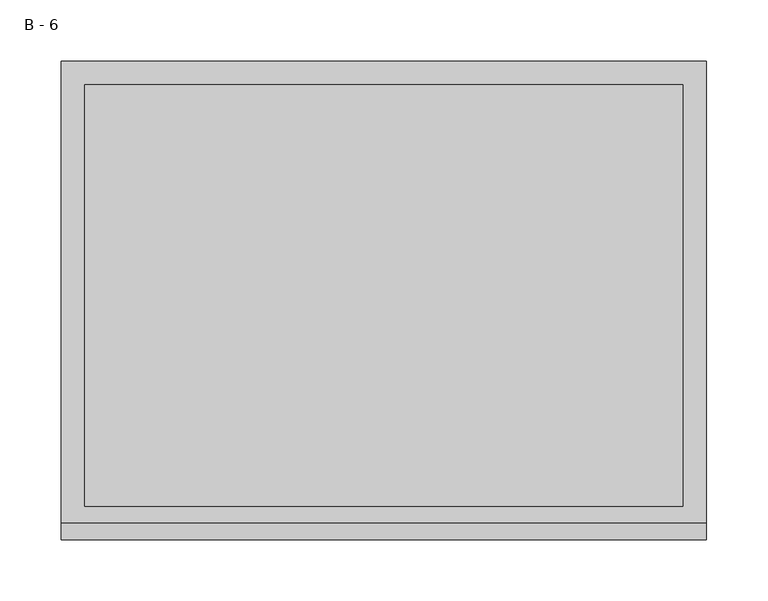
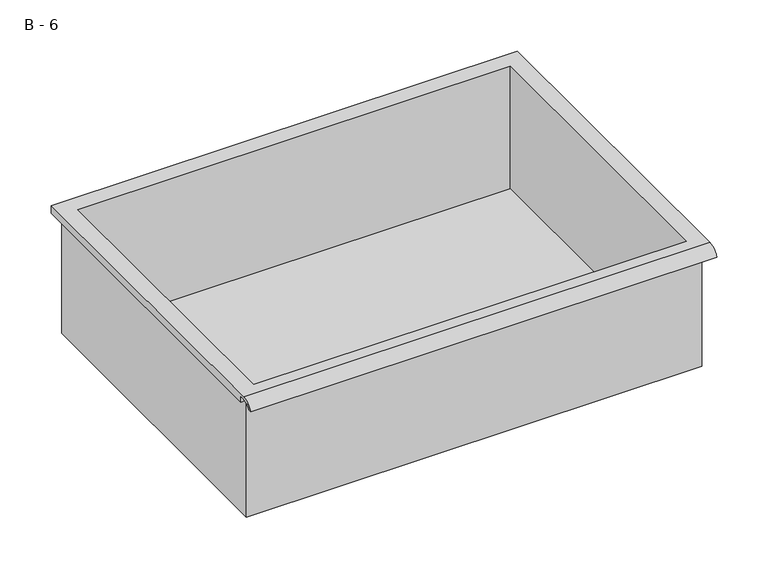
"""IFC4 building model written with IfcOpenShell, lengths in millimetres: furniture geometry, B - 6."""

from ifc_helpers import new_model, si_unit, frame, origin, place, context, project, spatial, polyline, circle_curve, source, transform, mapped, element, save
from ifc_brep_helpers import plane_surface, cylinder_surface, revolved_surface, advanced_brep


def b_6_d10522a3(model_context):
    return source(origin(), model_context, "Body", "AdvancedBrep", [
        advanced_brep(
        [(-257.1076517, -176.2125, 465.328), (257.2423483, -176.2125, 465.328), (257.2423483, -176.2125, 605.028), (263.5923483, -176.2125, 605.028), (263.5923483, -176.2125, 611.3351341), (-263.4576517, -176.2125, 611.3351341), (-263.4576517, -176.2125, 605.028), (-257.1076517, -176.2125, 605.028), (257.2423483, 185.7375, 465.328), (-257.1076517, 185.7375, 465.328), (-257.1076517, 185.7375, 605.028), (257.2423483, 185.7375, 605.028), (263.5923483, -181.6070544, 614.553), (263.5923483, 195.2625, 614.553), (-263.4576517, 195.2625, 614.553), (-263.4576517, -181.6070544, 614.553), (244.5423483, -168.275, 614.553), (-244.4076517, -168.275, 614.553), (-244.4076517, 176.2125, 614.553), (244.5423483, 176.2125, 614.553), (263.5923483, -195.2625, 605.028), (263.5923483, -191.8280601, 605.028), (263.5923483, -180.4714815, 611.3351341), (263.5923483, 195.2625, 605.028), (-263.4576517, 195.2625, 605.028), (-263.4576517, -180.4714815, 611.3351341), (-263.4576517, -191.8280601, 605.028), (-263.4576517, -195.2625, 605.028), (-244.4076517, -168.275, 468.3541719), (244.5423483, -168.275, 468.3541719), (244.5423483, 176.2125, 468.3541719), (-244.4076517, 176.2125, 468.3541719)],
        [
            (0, 1),
            (1, 2),
            (2, 3),
            (3, 4),
            (4, 5),
            (5, 6),
            (6, 7),
            (7, 0),
            (8, 9),
            (9, 10),
            (10, 11),
            (11, 8),
            (0, 9),
            (8, 1),
            (11, 2),
            (12, 13),
            (13, 14),
            (14, 15),
            (15, 12),
            (16, 17),
            (17, 18),
            (18, 19),
            (19, 16),
            (7, 10),
            (12, 20, circle_curve(frame((263.5923483, -181.6070544, 600.0019859), z_axis=(1.0, 0.0, 0.0), x_axis=(0.0, 1.0, 0.0)), 14.5510141)),
            (20, 21),
            (21, 22, circle_curve(frame((263.5923483, -181.6070544, 600.0019859), z_axis=(-1.0, 0.0, 0.0), x_axis=(0.0, 1.0, 0.0)), 11.3898979)),
            (22, 4),
            (3, 23),
            (23, 13),
            (14, 24),
            (24, 6),
            (5, 25),
            (25, 26, circle_curve(frame((-263.4576517, -181.6070544, 600.0019859), z_axis=(1.0, 0.0, 0.0), x_axis=(0.0, 1.0, 0.0)), 11.3898979)),
            (26, 27),
            (27, 15, circle_curve(frame((-263.4576517, -181.6070544, 600.0019859), z_axis=(-1.0, 0.0, 0.0), x_axis=(0.0, 1.0, 0.0)), 14.5510141)),
            (27, 20),
            (26, 21),
            (25, 22),
            (24, 23),
            (28, 29),
            (29, 30),
            (30, 31),
            (31, 28),
            (28, 17),
            (16, 29),
            (19, 30),
            (18, 31),
        ],
        [
            plane_surface(frame((257.2423483, -176.2125, 465.328), z_axis=(0.0, -1.0, 0.0), x_axis=(1.0, 0.0, 0.0))),
            plane_surface(frame((257.2423483, 185.7375, 465.328), z_axis=(0.0, 1.0, 0.0), x_axis=(-1.0, 0.0, 0.0))),
            plane_surface(frame((-257.1076517, -176.2125, 465.328), z_axis=(0.0, 0.0, -1.0), x_axis=(0.0, 1.0, 0.0))),
            plane_surface(frame((257.2423483, -176.2125, 465.328), z_axis=(1.0, 0.0, 0.0), x_axis=(0.0, 1.0, 0.0))),
            plane_surface(frame((257.2423483, -176.2125, 614.553), z_axis=(0.0, 0.0, 1.0), x_axis=(0.0, 1.0, 0.0))),
            plane_surface(frame((-257.1076517, -176.2125, 614.553), z_axis=(-1.0, 0.0, 0.0), x_axis=(0.0, 1.0, 0.0))),
            plane_surface(frame((263.5923483, 195.2625, 614.553), z_axis=(1.0, 0.0, 0.0), x_axis=(0.0, -1.0, 0.0))),
            plane_surface(frame((-263.4576517, 195.2625, 614.553), z_axis=(-1.0, 0.0, 0.0), x_axis=(0.0, 1.0, 0.0))),
            cylinder_surface(frame((-263.4576517, -181.6070544, 600.0019859), z_axis=(1.0, 0.0, 0.0), x_axis=(0.0, 1.0, 0.0)), 14.5510141),
            plane_surface(frame((263.5923483, -195.2625, 605.028), z_axis=(0.0, -7.310939287591533e-12, -1.0), x_axis=(-1.0, 0.0, 0.0))),
            revolved_surface(polyline([(-263.4576517, -170.21715650000002, 600.0019859), (263.59234829999997, -170.21715650000002, 600.0019859)]), (-263.4576517, -181.6070544, 600.0019859), (-1.0, 0.0, 0.0)),
            plane_surface(frame((263.5923483, -180.4714815, 611.3351341), z_axis=(0.0, -1.808388334576073e-11, -1.0), x_axis=(-1.0, 0.0, 0.0))),
            plane_surface(frame((263.5923483, -176.2125, 605.028), z_axis=(0.0, 0.0, -1.0), x_axis=(-1.0, 0.0, 0.0))),
            plane_surface(frame((263.5923483, 195.2625, 605.028), z_axis=(0.0, 1.0, 0.0), x_axis=(-1.0, 0.0, 0.0))),
            plane_surface(frame((244.5423483, -168.275, 468.3541719), z_axis=(0.0, 0.0, 1.0), x_axis=(-1.0, 0.0, 0.0))),
            plane_surface(frame((-244.4076517, -168.275, 614.553), z_axis=(0.0, 1.0, 0.0), x_axis=(0.0, 0.0, -1.0))),
            plane_surface(frame((244.5423483, -168.275, 614.553), z_axis=(-1.0, 0.0, 0.0), x_axis=(0.0, 0.0, -1.0))),
            plane_surface(frame((244.5423483, 176.2125, 614.553), z_axis=(0.0, -1.0, 0.0), x_axis=(0.0, 0.0, -1.0))),
            plane_surface(frame((-244.4076517, 176.2125, 614.553), z_axis=(1.0, 0.0, 0.0), x_axis=(0.0, 0.0, -1.0))),
        ],
        [
            (0, [[1, 2, 3, 4, 5, 6, 7, 8]]),
            (1, [[9, 10, 11, 12]]),
            (2, [[-1, 13, -9, 14]]),
            (3, [[-14, -12, 15, -2]]),
            (4, [[16, 17, 18, 19], [20, 21, 22, 23]]),
            (5, [[-13, -8, 24, -10]]),
            (6, [[-16, 25, 26, 27, 28, -4, 29, 30]]),
            (7, [[31, 32, -6, 33, 34, 35, 36, -18]]),
            (8, [[-25, -19, -36, 37]]),
            (9, [[-26, -37, -35, 38]]),
            (10, [[-27, -38, -34, 39]]),
            (11, [[-28, -39, -33, -5]]),
            (12, [[-29, -3, -15, -11, -24, -7, -32, 40]]),
            (13, [[-30, -40, -31, -17]]),
            (14, [[41, 42, 43, 44]]),
            (15, [[-41, 45, -20, 46]]),
            (16, [[-42, -46, -23, 47]]),
            (17, [[-43, -47, -22, 48]]),
            (18, [[-44, -48, -21, -45]]),
        ],
    ),
    ])


if __name__ == "__main__":
    model = new_model("IFC4")
    model_context = context("Model", 3, world=origin())
    ifc_project = project(units=[si_unit("LENGTHUNIT", "METRE", prefix="MILLI")], contexts=[model_context])
    site = spatial("IfcSite", under=ifc_project)
    building = spatial("IfcBuilding", under=site)
    placement = place(None, origin())
    b_6_shape = b_6_d10522a3(model_context)
    element("IfcFurniture", 1, ObjectType="B - 6", at=placement, inside=building, context=model_context, shape_type="MappedRepresentation", body=[
        mapped(b_6_shape, transform((0.0, 0.0, 0.0), x_axis=(1.0, 0.0, 0.0), y_axis=(0.0, 1.0, 0.0), z_axis=(0.0, 0.0, 1.0))),
    ])
    save(model, "model.ifc")
